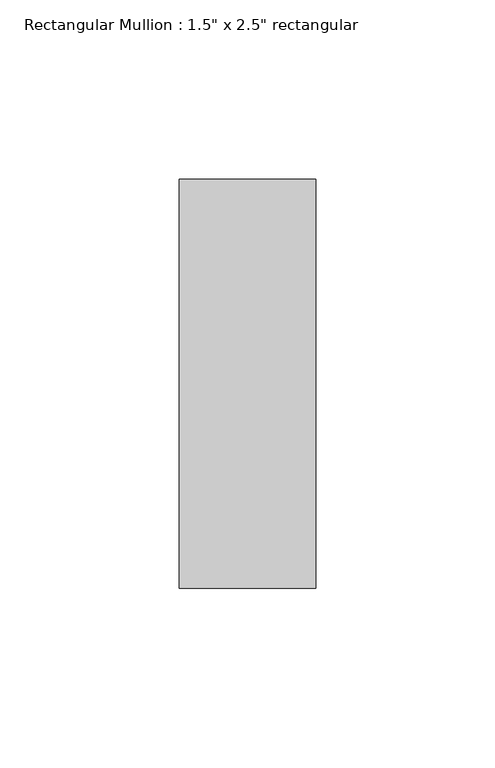
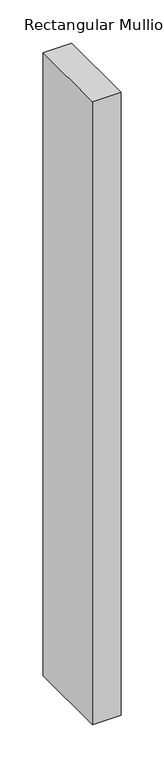
"""IFC4 building model written with IfcOpenShell, lengths in millimetres: member geometry."""

import ifcopenshell
import ifcopenshell.guid

model = None  # the IFC model being written
_history = None  # IfcOwnerHistory: only IFC2X3 demands one
_inside = {}  # id of a spatial element -> (the spatial element, [elements in it])
_under = {}  # id of a project, library or spatial element -> (it, [spatial elements below it])
_declared = {}  # id of a project -> (the project, [libraries it declares])
_typed = {}  # id of a type object -> (the type object, [elements of that type])
_made_of = {}  # id of a material, layer set ... -> (it, [elements and type objects made of it])


def new_model(schema):
    """Start an empty IFC model of exactly this schema.

    Asked for "IFC4X3", IfcOpenShell would pick the latest addendum, in which some entities
    have other attributes; the version numbers below select the first issue.
    IFC2X3 requires an IfcOwnerHistory on every rooted entity: one is made here for all.
    """
    global model, _history
    if schema == "IFC4X3":
        model = ifcopenshell.file(schema_version=(4, 3, 0, 0))
    else:
        model = ifcopenshell.file(schema=schema)
    _inside.clear()
    _under.clear()
    _declared.clear()
    _typed.clear()
    _made_of.clear()
    _history = None
    if model.schema == "IFC2X3":
        org = make("IfcOrganization", Name="unknown")
        user = make(
            "IfcPersonAndOrganization",
            ThePerson=make("IfcPerson", FamilyName="unknown"),
            TheOrganization=org,
        )
        app = make(
            "IfcApplication",
            ApplicationDeveloper=org,
            Version="unknown",
            ApplicationFullName="unknown",
            ApplicationIdentifier="unknown",
        )
        _history = make(
            "IfcOwnerHistory",
            OwningUser=user,
            OwningApplication=app,
            ChangeAction="ADDED",
            CreationDate=0,
        )
    return model


def make(cls, **values):
    """One entity of the class cls with the attributes given. An attribute that is None is left unset."""
    return model.create_entity(
        cls, **{name: value for name, value in values.items() if value is not None}
    )


def rooted(cls, **values):
    """An entity with a GlobalId (a new one), such as an element, a storey or a relation."""
    return make(cls, GlobalId=ifcopenshell.guid.new(), OwnerHistory=_history, **values)


def si_unit(unit_type, name, prefix=None):
    """IfcSIUnit, for example si_unit("LENGTHUNIT", "METRE", prefix="MILLI")."""
    return make("IfcSIUnit", UnitType=unit_type, Prefix=prefix, Name=name)


def assignment(units):
    """IfcUnitAssignment: the units of a project."""
    return None if units is None else make("IfcUnitAssignment", Units=units)


def point(xyz):
    """IfcCartesianPoint."""
    return None if xyz is None else make("IfcCartesianPoint", Coordinates=xyz)


def direction(xyz):
    """IfcDirection."""
    return None if xyz is None else make("IfcDirection", DirectionRatios=xyz)


def frame(location, z_axis=None, x_axis=None):
    """IfcAxis2Placement3D, a coordinate frame: its origin and axes. An axis left out is left unset."""
    return make(
        "IfcAxis2Placement3D",
        Location=point(location),
        Axis=direction(z_axis),
        RefDirection=direction(x_axis),
    )


def origin():
    """The frame at (0, 0, 0) with its axes left unset."""
    return frame((0.0, 0.0, 0.0))


def place(relative_to, where):
    """IfcLocalPlacement: puts the frame where relative to a parent placement (None: the world)."""
    return make(
        "IfcLocalPlacement", PlacementRelTo=relative_to, RelativePlacement=where
    )


def context(
    kind, dimensions, precision=None, world=None, true_north=None, identifier=None
):
    """IfcGeometricRepresentationContext, for example the 3D "Model" context."""
    return make(
        "IfcGeometricRepresentationContext",
        ContextIdentifier=identifier,
        ContextType=kind,
        CoordinateSpaceDimension=dimensions,
        Precision=precision,
        WorldCoordinateSystem=world,
        TrueNorth=true_north,
    )


def project(units=None, contexts=None):
    """IfcProject with its units and contexts."""
    return rooted(
        "IfcProject",
        Name="project",
        RepresentationContexts=contexts,
        UnitsInContext=assignment(units),
    )


def spatial(cls, under=None, at=None, **own):
    """A site, building, storey or space (cls), placed at a placement, below another one or the project."""
    s = rooted(cls, ObjectPlacement=at, **own)
    if under is not None:
        _under.setdefault(under.id(), (under, []))[1].append(s)
    return s


def polyline(points):
    """IfcPolyline through the points."""
    return make("IfcPolyline", Points=[point(p) for p in points])


def outline(outer, holes=None, kind="AREA"):
    """IfcArbitraryClosedProfileDef: a profile drawn as a closed curve; with holes, ...WithVoids."""
    if holes is None:
        return make("IfcArbitraryClosedProfileDef", ProfileType=kind, OuterCurve=outer)
    return make(
        "IfcArbitraryProfileDefWithVoids",
        ProfileType=kind,
        OuterCurve=outer,
        InnerCurves=holes,
    )


def extrude(swept, where, along, depth):
    """IfcExtrudedAreaSolid: the profile swept, set in the frame where, extruded along a direction by depth."""
    return make(
        "IfcExtrudedAreaSolid",
        SweptArea=swept,
        Position=where,
        ExtrudedDirection=direction(along),
        Depth=depth,
    )


def shape(context_of_items, identifier, shape_type, items):
    """IfcShapeRepresentation: the items that make up one representation, for example the "Body"."""
    return make(
        "IfcShapeRepresentation",
        ContextOfItems=context_of_items,
        RepresentationIdentifier=identifier,
        RepresentationType=shape_type,
        Items=items,
    )


def source(mapping_origin, context_of_items, identifier, shape_type, items):
    """IfcRepresentationMap: a shape defined once, which mapped items show again and again."""
    return make(
        "IfcRepresentationMap",
        MappingOrigin=mapping_origin,
        MappedRepresentation=shape(context_of_items, identifier, shape_type, items),
    )


def transform(
    local_origin,
    x_axis=None,
    y_axis=None,
    z_axis=None,
    scale=None,
    scale2=None,
    scale3=None,
    uniform=True,
):
    """IfcCartesianTransformationOperator3D, or its non-uniform kind. x_axis, y_axis, z_axis: its Axis1, 2, 3."""
    if uniform:
        return make(
            "IfcCartesianTransformationOperator3D",
            Axis1=direction(x_axis),
            Axis2=direction(y_axis),
            LocalOrigin=point(local_origin),
            Scale=scale,
            Axis3=direction(z_axis),
        )
    return make(
        "IfcCartesianTransformationOperator3DnonUniform",
        Axis1=direction(x_axis),
        Axis2=direction(y_axis),
        LocalOrigin=point(local_origin),
        Scale=scale,
        Axis3=direction(z_axis),
        Scale2=scale2,
        Scale3=scale3,
    )


def mapped(mapping_source, mapping_target):
    """IfcMappedItem: shows the shape of a source again, moved by a transform."""
    return make(
        "IfcMappedItem", MappingSource=mapping_source, MappingTarget=mapping_target
    )


def made_of(thing, what):
    """Note that an element or type object is made of a material, layer set ...; save() writes the relation."""
    if what is not None:
        _made_of.setdefault(what.id(), (what, []))[1].append(thing)
    return thing


def element(
    cls,
    number,
    at=None,
    inside=None,
    cuts=None,
    type_object=None,
    material=None,
    context=None,
    identifier="Body",
    shape_type=None,
    held_by="IfcProductDefinitionShape",
    body=None,
    shapes=None,
    **own,
):
    """One element of the class cls, such as IfcWall. Its Tag is "e" and its number.

    at: its placement. inside: the storey or other place that contains it. cuts: it is an
    opening in that element (IfcRelVoidsElement). A single representation is given by context,
    identifier, shape_type and body (its items); several are given by shapes. held_by: the class
    of the entity that holds the representations. save() writes the other relations.
    """
    e = rooted(cls, Tag="e%d" % number, ObjectPlacement=at, **own)
    if body is not None:
        shapes = [shape(context, identifier, shape_type, body)]
    if shapes is not None:
        e.Representation = make(held_by, Representations=shapes)
    if inside is not None:
        _inside.setdefault(inside.id(), (inside, []))[1].append(e)
    if cuts is not None:
        rooted(
            "IfcRelVoidsElement", RelatingBuildingElement=cuts, RelatedOpeningElement=e
        )
    if type_object is not None:
        _typed.setdefault(type_object.id(), (type_object, []))[1].append(e)
    return made_of(e, material)


def aggregate(whole, parts):
    """IfcRelAggregates: a whole, such as a stair, and the parts it consists of."""
    return rooted("IfcRelAggregates", RelatingObject=whole, RelatedObjects=parts)


def save(model, path):
    """Write the relations noted so far, then the file.

    IfcRelAggregates (storeys below a building ...), IfcRelContainedInSpatialStructure (elements
    in a storey), IfcRelDefinesByType, IfcRelAssociatesMaterial and IfcRelDeclares: one each for
    every whole, place, type object, material and project.
    """
    for whole, parts in _under.values():
        aggregate(whole, parts)
    for where, things in _inside.values():
        rooted(
            "IfcRelContainedInSpatialStructure",
            RelatedElements=things,
            RelatingStructure=where,
        )
    for kind, things in _typed.values():
        rooted("IfcRelDefinesByType", RelatedObjects=things, RelatingType=kind)
    for what, things in _made_of.values():
        rooted("IfcRelAssociatesMaterial", RelatedObjects=things, RelatingMaterial=what)
    for by, libraries in _declared.values():
        rooted("IfcRelDeclares", RelatingContext=by, RelatedDefinitions=libraries)
    model.write(path)


def member_40655d59(model_context):
    return source(origin(), model_context, "Body", "SweptSolid", [
        extrude(outline(polyline([(0.0, 57.15), (0.0, -57.15), (-38.1, -57.15), (-38.1, 57.15), (0.0, 57.15)])), frame((0.0, 0.0, -879.475), z_axis=(0.0, 0.0, 1.0), x_axis=(1.0, 0.0, 0.0)), (0.0, 0.0, 1.0), 879.475),
    ])


if __name__ == "__main__":
    model = new_model("IFC4")
    model_context = context("Model", 3, world=origin())
    ifc_project = project(units=[si_unit("LENGTHUNIT", "METRE", prefix="MILLI")], contexts=[model_context])
    site = spatial("IfcSite", under=ifc_project)
    building = spatial("IfcBuilding", under=site)
    placement = place(None, origin())
    member_shape = member_40655d59(model_context)
    element("IfcMember", 1, ObjectType="Rectangular Mullion : 1.5\" x 2.5\" rectangular", at=placement, inside=building, context=model_context, shape_type="MappedRepresentation", body=[
        mapped(member_shape, transform((0.0, 0.0, 0.0), x_axis=(1.0, 0.0, 0.0), y_axis=(0.0, 1.0, 0.0), z_axis=(0.0, 0.0, 1.0))),
    ])
    save(model, "model.ifc")
